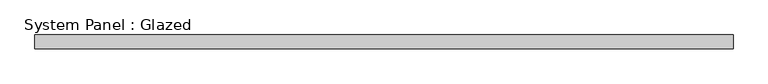
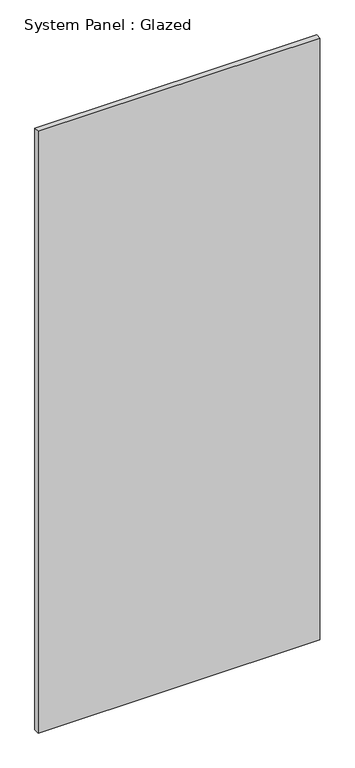
"""IFC4 building model written with IfcOpenShell, lengths in millimetres: plate geometry, System Panel : Glazed."""

from ifc_helpers import new_model, si_unit, origin, origin_with_axes, place, context, project, spatial, polyline, outline, extrude, source, transform, mapped, element, save


def system_panel_glazed_1ba6918d(model_context):
    return source(origin(), model_context, "Body", "SweptSolid", [
        extrude(outline(polyline([(640.0, 19.05), (-640.0, 19.05), (-640.0, 44.45), (640.0, 44.45), (640.0, 19.05)])), origin_with_axes(), (0.0, 0.0, 1.0), 2890.0),
    ])


if __name__ == "__main__":
    model = new_model("IFC4")
    model_context = context("Model", 3, world=origin())
    ifc_project = project(units=[si_unit("LENGTHUNIT", "METRE", prefix="MILLI")], contexts=[model_context])
    site = spatial("IfcSite", under=ifc_project)
    building = spatial("IfcBuilding", under=site)
    placement = place(None, origin())
    system_panel_glazed_shape = system_panel_glazed_1ba6918d(model_context)
    element("IfcPlate", 1, ObjectType="System Panel : Glazed", at=placement, inside=building, context=model_context, shape_type="MappedRepresentation", body=[
        mapped(system_panel_glazed_shape, transform((0.0, 0.0, 0.0), x_axis=(1.0, 0.0, 0.0), y_axis=(0.0, 1.0, 0.0), z_axis=(0.0, 0.0, 1.0))),
    ])
    save(model, "model.ifc")
